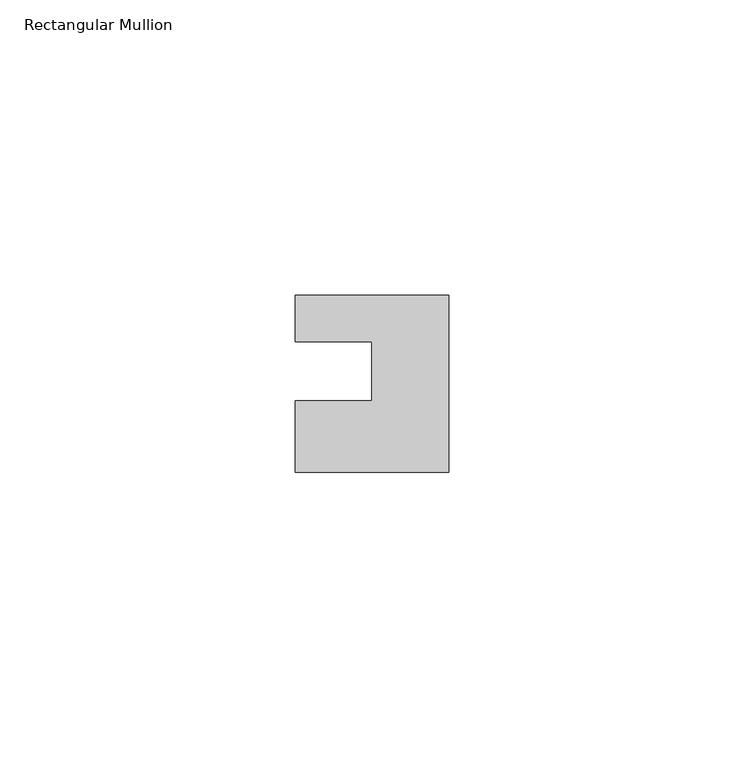
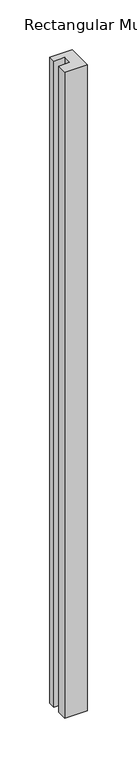
"""IFC4 building model written with IfcOpenShell, lengths in millimetres: member geometry, Rectangular Mullion."""

from ifc_helpers import new_model, si_unit, frame, origin, place, context, project, spatial, polyline, outline, extrude, source, transform, mapped, element, save


def rectangular_mullion_a24cc756(model_context):
    return source(origin(), model_context, "Body", "SweptSolid", [
        extrude(outline(polyline([(-26.0, 0.001), (-26.0, 7.94), (0.0, 7.94), (0.0, -22.06), (-26.0, -22.06), (-26.0, -10.0), (-13.0, -10.0), (-13.0, 0.001), (-26.0, 0.001)])), frame((0.0, 0.0, -792.0), z_axis=(0.0, 0.0, 1.0), x_axis=(1.0, 0.0, 0.0)), (0.0, 0.0, 1.0), 792.0),
    ])


if __name__ == "__main__":
    model = new_model("IFC4")
    model_context = context("Model", 3, world=origin())
    ifc_project = project(units=[si_unit("LENGTHUNIT", "METRE", prefix="MILLI")], contexts=[model_context])
    site = spatial("IfcSite", under=ifc_project)
    building = spatial("IfcBuilding", under=site)
    placement = place(None, origin())
    rectangular_mullion_shape = rectangular_mullion_a24cc756(model_context)
    element("IfcMember", 1, ObjectType="Rectangular Mullion", at=placement, inside=building, context=model_context, shape_type="MappedRepresentation", body=[
        mapped(rectangular_mullion_shape, transform((0.0, 0.0, 0.0), x_axis=(1.0, 0.0, 0.0), y_axis=(0.0, 1.0, 0.0), z_axis=(0.0, 0.0, 1.0))),
    ])
    save(model, "model.ifc")
